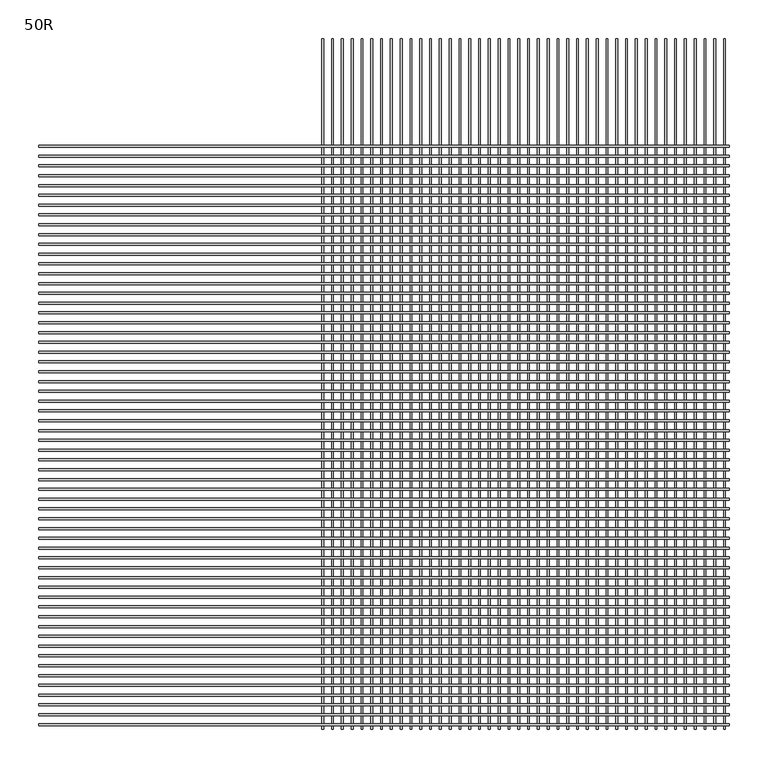
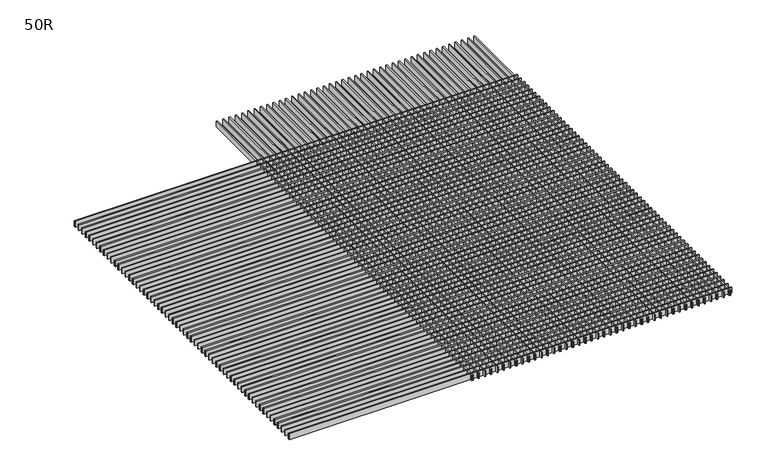
"""IFC4 building model written with IfcOpenShell, lengths in millimetres: air terminal geometry, 50R."""

from ifc_helpers import new_model, si_unit, frame, origin, place, context, project, spatial, polyline, outline, extrude, source, transform, mapped, element, save


def air_terminal_50r_aec33b26(model_context):
    return source(origin(), model_context, "Body", "SweptSolid", [
        extrude(outline(polyline([(-442.6213911, -7.14375), (-442.6213911, 4.7625), (-440.0286089, 4.7625), (-440.0286089, -7.14375), (-442.6213911, -7.14375)]), holes=[polyline([(-441.8276411, -6.35), (-440.8223589, -6.35), (-440.8223589, 3.96875), (-441.8276411, 3.96875), (-441.8276411, -6.35)])]), frame((-447.675, 0.0, 0.0), z_axis=(1.0, 0.0, 0.0), x_axis=(0.0, 1.0, 0.0)), (0.0, 0.0, 1.0), 895.35),
        extrude(outline(polyline([(-429.9213911, -7.14375), (-429.9213911, 4.7625), (-427.3286089, 4.7625), (-427.3286089, -7.14375), (-429.9213911, -7.14375)]), holes=[polyline([(-429.1276411, -6.35), (-428.1223589, -6.35), (-428.1223589, 3.96875), (-429.1276411, 3.96875), (-429.1276411, -6.35)])]), frame((-447.675, 0.0, 0.0), z_axis=(1.0, 0.0, 0.0), x_axis=(0.0, 1.0, 0.0)), (0.0, 0.0, 1.0), 895.35),
        extrude(outline(polyline([(-417.2213911, -7.14375), (-417.2213911, 4.7625), (-414.6286089, 4.7625), (-414.6286089, -7.14375), (-417.2213911, -7.14375)]), holes=[polyline([(-416.4276411, -6.35), (-415.4223589, -6.35), (-415.4223589, 3.96875), (-416.4276411, 3.96875), (-416.4276411, -6.35)])]), frame((-447.675, 0.0, 0.0), z_axis=(1.0, 0.0, 0.0), x_axis=(0.0, 1.0, 0.0)), (0.0, 0.0, 1.0), 895.35),
        extrude(outline(polyline([(-404.5213911, -7.14375), (-404.5213911, 4.7625), (-401.9286089, 4.7625), (-401.9286089, -7.14375), (-404.5213911, -7.14375)]), holes=[polyline([(-403.7276411, -6.35), (-402.7223589, -6.35), (-402.7223589, 3.96875), (-403.7276411, 3.96875), (-403.7276411, -6.35)])]), frame((-447.675, 0.0, 0.0), z_axis=(1.0, 0.0, 0.0), x_axis=(0.0, 1.0, 0.0)), (0.0, 0.0, 1.0), 895.35),
        extrude(outline(polyline([(-391.8213911, -7.14375), (-391.8213911, 4.7625), (-389.2286089, 4.7625), (-389.2286089, -7.14375), (-391.8213911, -7.14375)]), holes=[polyline([(-391.0276411, -6.35), (-390.0223589, -6.35), (-390.0223589, 3.96875), (-391.0276411, 3.96875), (-391.0276411, -6.35)])]), frame((-447.675, 0.0, 0.0), z_axis=(1.0, 0.0, 0.0), x_axis=(0.0, 1.0, 0.0)), (0.0, 0.0, 1.0), 895.35),
        extrude(outline(polyline([(-379.1213911, -7.14375), (-379.1213911, 4.7625), (-376.5286089, 4.7625), (-376.5286089, -7.14375), (-379.1213911, -7.14375)]), holes=[polyline([(-378.3276411, -6.35), (-377.3223589, -6.35), (-377.3223589, 3.96875), (-378.3276411, 3.96875), (-378.3276411, -6.35)])]), frame((-447.675, 0.0, 0.0), z_axis=(1.0, 0.0, 0.0), x_axis=(0.0, 1.0, 0.0)), (0.0, 0.0, 1.0), 895.35),
        extrude(outline(polyline([(-366.4213911, -7.14375), (-366.4213911, 4.7625), (-363.8286089, 4.7625), (-363.8286089, -7.14375), (-366.4213911, -7.14375)]), holes=[polyline([(-365.6276411, -6.35), (-364.6223589, -6.35), (-364.6223589, 3.96875), (-365.6276411, 3.96875), (-365.6276411, -6.35)])]), frame((-447.675, 0.0, 0.0), z_axis=(1.0, 0.0, 0.0), x_axis=(0.0, 1.0, 0.0)), (0.0, 0.0, 1.0), 895.35),
        extrude(outline(polyline([(-353.7213911, -7.14375), (-353.7213911, 4.7625), (-351.1286089, 4.7625), (-351.1286089, -7.14375), (-353.7213911, -7.14375)]), holes=[polyline([(-352.9276411, -6.35), (-351.9223589, -6.35), (-351.9223589, 3.96875), (-352.9276411, 3.96875), (-352.9276411, -6.35)])]), frame((-447.675, 0.0, 0.0), z_axis=(1.0, 0.0, 0.0), x_axis=(0.0, 1.0, 0.0)), (0.0, 0.0, 1.0), 895.35),
        extrude(outline(polyline([(-341.0213911, -7.14375), (-341.0213911, 4.7625), (-338.4286089, 4.7625), (-338.4286089, -7.14375), (-341.0213911, -7.14375)]), holes=[polyline([(-340.2276411, -6.35), (-339.2223589, -6.35), (-339.2223589, 3.96875), (-340.2276411, 3.96875), (-340.2276411, -6.35)])]), frame((-447.675, 0.0, 0.0), z_axis=(1.0, 0.0, 0.0), x_axis=(0.0, 1.0, 0.0)), (0.0, 0.0, 1.0), 895.35),
        extrude(outline(polyline([(-328.3213911, -7.14375), (-328.3213911, 4.7625), (-325.7286089, 4.7625), (-325.7286089, -7.14375), (-328.3213911, -7.14375)]), holes=[polyline([(-327.5276411, -6.35), (-326.5223589, -6.35), (-326.5223589, 3.96875), (-327.5276411, 3.96875), (-327.5276411, -6.35)])]), frame((-447.675, 0.0, 0.0), z_axis=(1.0, 0.0, 0.0), x_axis=(0.0, 1.0, 0.0)), (0.0, 0.0, 1.0), 895.35),
        extrude(outline(polyline([(-315.6213911, -7.14375), (-315.6213911, 4.7625), (-313.0286089, 4.7625), (-313.0286089, -7.14375), (-315.6213911, -7.14375)]), holes=[polyline([(-314.8276411, -6.35), (-313.8223589, -6.35), (-313.8223589, 3.96875), (-314.8276411, 3.96875), (-314.8276411, -6.35)])]), frame((-447.675, 0.0, 0.0), z_axis=(1.0, 0.0, 0.0), x_axis=(0.0, 1.0, 0.0)), (0.0, 0.0, 1.0), 895.35),
        extrude(outline(polyline([(-302.9213911, -7.14375), (-302.9213911, 4.7625), (-300.3286089, 4.7625), (-300.3286089, -7.14375), (-302.9213911, -7.14375)]), holes=[polyline([(-302.1276411, -6.35), (-301.1223589, -6.35), (-301.1223589, 3.96875), (-302.1276411, 3.96875), (-302.1276411, -6.35)])]), frame((-447.675, 0.0, 0.0), z_axis=(1.0, 0.0, 0.0), x_axis=(0.0, 1.0, 0.0)), (0.0, 0.0, 1.0), 895.35),
        extrude(outline(polyline([(-290.2213911, -7.14375), (-290.2213911, 4.7625), (-287.6286089, 4.7625), (-287.6286089, -7.14375), (-290.2213911, -7.14375)]), holes=[polyline([(-289.4276411, -6.35), (-288.4223589, -6.35), (-288.4223589, 3.96875), (-289.4276411, 3.96875), (-289.4276411, -6.35)])]), frame((-447.675, 0.0, 0.0), z_axis=(1.0, 0.0, 0.0), x_axis=(0.0, 1.0, 0.0)), (0.0, 0.0, 1.0), 895.35),
        extrude(outline(polyline([(-277.5213911, -7.14375), (-277.5213911, 4.7625), (-274.9286089, 4.7625), (-274.9286089, -7.14375), (-277.5213911, -7.14375)]), holes=[polyline([(-276.7276411, -6.35), (-275.7223589, -6.35), (-275.7223589, 3.96875), (-276.7276411, 3.96875), (-276.7276411, -6.35)])]), frame((-447.675, 0.0, 0.0), z_axis=(1.0, 0.0, 0.0), x_axis=(0.0, 1.0, 0.0)), (0.0, 0.0, 1.0), 895.35),
        extrude(outline(polyline([(-264.8213911, -7.14375), (-264.8213911, 4.7625), (-262.2286089, 4.7625), (-262.2286089, -7.14375), (-264.8213911, -7.14375)]), holes=[polyline([(-264.0276411, -6.35), (-263.0223589, -6.35), (-263.0223589, 3.96875), (-264.0276411, 3.96875), (-264.0276411, -6.35)])]), frame((-447.675, 0.0, 0.0), z_axis=(1.0, 0.0, 0.0), x_axis=(0.0, 1.0, 0.0)), (0.0, 0.0, 1.0), 895.35),
        extrude(outline(polyline([(-252.1213911, -7.14375), (-252.1213911, 4.7625), (-249.5286089, 4.7625), (-249.5286089, -7.14375), (-252.1213911, -7.14375)]), holes=[polyline([(-251.3276411, -6.35), (-250.3223589, -6.35), (-250.3223589, 3.96875), (-251.3276411, 3.96875), (-251.3276411, -6.35)])]), frame((-447.675, 0.0, 0.0), z_axis=(1.0, 0.0, 0.0), x_axis=(0.0, 1.0, 0.0)), (0.0, 0.0, 1.0), 895.35),
        extrude(outline(polyline([(-239.4213911, -7.14375), (-239.4213911, 4.7625), (-236.8286089, 4.7625), (-236.8286089, -7.14375), (-239.4213911, -7.14375)]), holes=[polyline([(-238.6276411, -6.35), (-237.6223589, -6.35), (-237.6223589, 3.96875), (-238.6276411, 3.96875), (-238.6276411, -6.35)])]), frame((-447.675, 0.0, 0.0), z_axis=(1.0, 0.0, 0.0), x_axis=(0.0, 1.0, 0.0)), (0.0, 0.0, 1.0), 895.35),
        extrude(outline(polyline([(-226.7213911, -7.14375), (-226.7213911, 4.7625), (-224.1286089, 4.7625), (-224.1286089, -7.14375), (-226.7213911, -7.14375)]), holes=[polyline([(-225.9276411, -6.35), (-224.9223589, -6.35), (-224.9223589, 3.96875), (-225.9276411, 3.96875), (-225.9276411, -6.35)])]), frame((-447.675, 0.0, 0.0), z_axis=(1.0, 0.0, 0.0), x_axis=(0.0, 1.0, 0.0)), (0.0, 0.0, 1.0), 895.35),
        extrude(outline(polyline([(-214.0213911, -7.14375), (-214.0213911, 4.7625), (-211.4286089, 4.7625), (-211.4286089, -7.14375), (-214.0213911, -7.14375)]), holes=[polyline([(-213.2276411, -6.35), (-212.2223589, -6.35), (-212.2223589, 3.96875), (-213.2276411, 3.96875), (-213.2276411, -6.35)])]), frame((-447.675, 0.0, 0.0), z_axis=(1.0, 0.0, 0.0), x_axis=(0.0, 1.0, 0.0)), (0.0, 0.0, 1.0), 895.35),
        extrude(outline(polyline([(-201.3213911, -7.14375), (-201.3213911, 4.7625), (-198.7286089, 4.7625), (-198.7286089, -7.14375), (-201.3213911, -7.14375)]), holes=[polyline([(-200.5276411, -6.35), (-199.5223589, -6.35), (-199.5223589, 3.96875), (-200.5276411, 3.96875), (-200.5276411, -6.35)])]), frame((-447.675, 0.0, 0.0), z_axis=(1.0, 0.0, 0.0), x_axis=(0.0, 1.0, 0.0)), (0.0, 0.0, 1.0), 895.35),
        extrude(outline(polyline([(-188.6213911, -7.14375), (-188.6213911, 4.7625), (-186.0286089, 4.7625), (-186.0286089, -7.14375), (-188.6213911, -7.14375)]), holes=[polyline([(-187.8276411, -6.35), (-186.8223589, -6.35), (-186.8223589, 3.96875), (-187.8276411, 3.96875), (-187.8276411, -6.35)])]), frame((-447.675, 0.0, 0.0), z_axis=(1.0, 0.0, 0.0), x_axis=(0.0, 1.0, 0.0)), (0.0, 0.0, 1.0), 895.35),
        extrude(outline(polyline([(-175.9213911, -7.14375), (-175.9213911, 4.7625), (-173.3286089, 4.7625), (-173.3286089, -7.14375), (-175.9213911, -7.14375)]), holes=[polyline([(-175.1276411, -6.35), (-174.1223589, -6.35), (-174.1223589, 3.96875), (-175.1276411, 3.96875), (-175.1276411, -6.35)])]), frame((-447.675, 0.0, 0.0), z_axis=(1.0, 0.0, 0.0), x_axis=(0.0, 1.0, 0.0)), (0.0, 0.0, 1.0), 895.35),
        extrude(outline(polyline([(-163.2213911, -7.14375), (-163.2213911, 4.7625), (-160.6286089, 4.7625), (-160.6286089, -7.14375), (-163.2213911, -7.14375)]), holes=[polyline([(-162.4276411, -6.35), (-161.4223589, -6.35), (-161.4223589, 3.96875), (-162.4276411, 3.96875), (-162.4276411, -6.35)])]), frame((-447.675, 0.0, 0.0), z_axis=(1.0, 0.0, 0.0), x_axis=(0.0, 1.0, 0.0)), (0.0, 0.0, 1.0), 895.35),
        extrude(outline(polyline([(-150.5213911, -7.14375), (-150.5213911, 4.7625), (-147.9286089, 4.7625), (-147.9286089, -7.14375), (-150.5213911, -7.14375)]), holes=[polyline([(-149.7276411, -6.35), (-148.7223589, -6.35), (-148.7223589, 3.96875), (-149.7276411, 3.96875), (-149.7276411, -6.35)])]), frame((-447.675, 0.0, 0.0), z_axis=(1.0, 0.0, 0.0), x_axis=(0.0, 1.0, 0.0)), (0.0, 0.0, 1.0), 895.35),
        extrude(outline(polyline([(-137.8213911, -7.14375), (-137.8213911, 4.7625), (-135.2286089, 4.7625), (-135.2286089, -7.14375), (-137.8213911, -7.14375)]), holes=[polyline([(-137.0276411, -6.35), (-136.0223589, -6.35), (-136.0223589, 3.96875), (-137.0276411, 3.96875), (-137.0276411, -6.35)])]), frame((-447.675, 0.0, 0.0), z_axis=(1.0, 0.0, 0.0), x_axis=(0.0, 1.0, 0.0)), (0.0, 0.0, 1.0), 895.35),
        extrude(outline(polyline([(-125.1213911, -7.14375), (-125.1213911, 4.7625), (-122.5286089, 4.7625), (-122.5286089, -7.14375), (-125.1213911, -7.14375)]), holes=[polyline([(-124.3276411, -6.35), (-123.3223589, -6.35), (-123.3223589, 3.96875), (-124.3276411, 3.96875), (-124.3276411, -6.35)])]), frame((-447.675, 0.0, 0.0), z_axis=(1.0, 0.0, 0.0), x_axis=(0.0, 1.0, 0.0)), (0.0, 0.0, 1.0), 895.35),
        extrude(outline(polyline([(-112.4213911, -7.14375), (-112.4213911, 4.7625), (-109.8286089, 4.7625), (-109.8286089, -7.14375), (-112.4213911, -7.14375)]), holes=[polyline([(-111.6276411, -6.35), (-110.6223589, -6.35), (-110.6223589, 3.96875), (-111.6276411, 3.96875), (-111.6276411, -6.35)])]), frame((-447.675, 0.0, 0.0), z_axis=(1.0, 0.0, 0.0), x_axis=(0.0, 1.0, 0.0)), (0.0, 0.0, 1.0), 895.35),
        extrude(outline(polyline([(-99.7213911, -7.14375), (-99.7213911, 4.7625), (-97.1286089, 4.7625), (-97.1286089, -7.14375), (-99.7213911, -7.14375)]), holes=[polyline([(-98.9276411, -6.35), (-97.9223589, -6.35), (-97.9223589, 3.96875), (-98.9276411, 3.96875), (-98.9276411, -6.35)])]), frame((-447.675, 0.0, 0.0), z_axis=(1.0, 0.0, 0.0), x_axis=(0.0, 1.0, 0.0)), (0.0, 0.0, 1.0), 895.35),
        extrude(outline(polyline([(-87.0213911, -7.14375), (-87.0213911, 4.7625), (-84.4286089, 4.7625), (-84.4286089, -7.14375), (-87.0213911, -7.14375)]), holes=[polyline([(-86.2276411, -6.35), (-85.2223589, -6.35), (-85.2223589, 3.96875), (-86.2276411, 3.96875), (-86.2276411, -6.35)])]), frame((-447.675, 0.0, 0.0), z_axis=(1.0, 0.0, 0.0), x_axis=(0.0, 1.0, 0.0)), (0.0, 0.0, 1.0), 895.35),
        extrude(outline(polyline([(-74.3213911, -7.14375), (-74.3213911, 4.7625), (-71.7286089, 4.7625), (-71.7286089, -7.14375), (-74.3213911, -7.14375)]), holes=[polyline([(-73.5276411, -6.35), (-72.5223589, -6.35), (-72.5223589, 3.96875), (-73.5276411, 3.96875), (-73.5276411, -6.35)])]), frame((-447.675, 0.0, 0.0), z_axis=(1.0, 0.0, 0.0), x_axis=(0.0, 1.0, 0.0)), (0.0, 0.0, 1.0), 895.35),
        extrude(outline(polyline([(-61.6213911, -7.14375), (-61.6213911, 4.7625), (-59.0286089, 4.7625), (-59.0286089, -7.14375), (-61.6213911, -7.14375)]), holes=[polyline([(-60.8276411, -6.35), (-59.8223589, -6.35), (-59.8223589, 3.96875), (-60.8276411, 3.96875), (-60.8276411, -6.35)])]), frame((-447.675, 0.0, 0.0), z_axis=(1.0, 0.0, 0.0), x_axis=(0.0, 1.0, 0.0)), (0.0, 0.0, 1.0), 895.35),
        extrude(outline(polyline([(-48.9213911, -7.14375), (-48.9213911, 4.7625), (-46.3286089, 4.7625), (-46.3286089, -7.14375), (-48.9213911, -7.14375)]), holes=[polyline([(-48.1276411, -6.35), (-47.1223589, -6.35), (-47.1223589, 3.96875), (-48.1276411, 3.96875), (-48.1276411, -6.35)])]), frame((-447.675, 0.0, 0.0), z_axis=(1.0, 0.0, 0.0), x_axis=(0.0, 1.0, 0.0)), (0.0, 0.0, 1.0), 895.35),
        extrude(outline(polyline([(-36.2213911, -7.14375), (-36.2213911, 4.7625), (-33.6286089, 4.7625), (-33.6286089, -7.14375), (-36.2213911, -7.14375)]), holes=[polyline([(-35.4276411, -6.35), (-34.4223589, -6.35), (-34.4223589, 3.96875), (-35.4276411, 3.96875), (-35.4276411, -6.35)])]), frame((-447.675, 0.0, 0.0), z_axis=(1.0, 0.0, 0.0), x_axis=(0.0, 1.0, 0.0)), (0.0, 0.0, 1.0), 895.35),
        extrude(outline(polyline([(-23.5213911, -7.14375), (-23.5213911, 4.7625), (-20.9286089, 4.7625), (-20.9286089, -7.14375), (-23.5213911, -7.14375)]), holes=[polyline([(-22.7276411, -6.35), (-21.7223589, -6.35), (-21.7223589, 3.96875), (-22.7276411, 3.96875), (-22.7276411, -6.35)])]), frame((-447.675, 0.0, 0.0), z_axis=(1.0, 0.0, 0.0), x_axis=(0.0, 1.0, 0.0)), (0.0, 0.0, 1.0), 895.35),
        extrude(outline(polyline([(-10.8213911, -7.14375), (-10.8213911, 4.7625), (-8.2286089, 4.7625), (-8.2286089, -7.14375), (-10.8213911, -7.14375)]), holes=[polyline([(-10.0276411, -6.35), (-9.0223589, -6.35), (-9.0223589, 3.96875), (-10.0276411, 3.96875), (-10.0276411, -6.35)])]), frame((-447.675, 0.0, 0.0), z_axis=(1.0, 0.0, 0.0), x_axis=(0.0, 1.0, 0.0)), (0.0, 0.0, 1.0), 895.35),
        extrude(outline(polyline([(1.8786089, -7.14375), (1.8786089, 4.7625), (4.4713911, 4.7625), (4.4713911, -7.14375), (1.8786089, -7.14375)]), holes=[polyline([(2.6723589, -6.35), (3.6776411, -6.35), (3.6776411, 3.96875), (2.6723589, 3.96875), (2.6723589, -6.35)])]), frame((-447.675, 0.0, 0.0), z_axis=(1.0, 0.0, 0.0), x_axis=(0.0, 1.0, 0.0)), (0.0, 0.0, 1.0), 895.35),
        extrude(outline(polyline([(14.5786089, -7.14375), (14.5786089, 4.7625), (17.1713911, 4.7625), (17.1713911, -7.14375), (14.5786089, -7.14375)]), holes=[polyline([(15.3723589, -6.35), (16.3776411, -6.35), (16.3776411, 3.96875), (15.3723589, 3.96875), (15.3723589, -6.35)])]), frame((-447.675, 0.0, 0.0), z_axis=(1.0, 0.0, 0.0), x_axis=(0.0, 1.0, 0.0)), (0.0, 0.0, 1.0), 895.35),
        extrude(outline(polyline([(27.2786089, -7.14375), (27.2786089, 4.7625), (29.8713911, 4.7625), (29.8713911, -7.14375), (27.2786089, -7.14375)]), holes=[polyline([(28.0723589, -6.35), (29.0776411, -6.35), (29.0776411, 3.96875), (28.0723589, 3.96875), (28.0723589, -6.35)])]), frame((-447.675, 0.0, 0.0), z_axis=(1.0, 0.0, 0.0), x_axis=(0.0, 1.0, 0.0)), (0.0, 0.0, 1.0), 895.35),
        extrude(outline(polyline([(39.9786089, -7.14375), (39.9786089, 4.7625), (42.5713911, 4.7625), (42.5713911, -7.14375), (39.9786089, -7.14375)]), holes=[polyline([(40.7723589, -6.35), (41.7776411, -6.35), (41.7776411, 3.96875), (40.7723589, 3.96875), (40.7723589, -6.35)])]), frame((-447.675, 0.0, 0.0), z_axis=(1.0, 0.0, 0.0), x_axis=(0.0, 1.0, 0.0)), (0.0, 0.0, 1.0), 895.35),
        extrude(outline(polyline([(52.6786089, -7.14375), (52.6786089, 4.7625), (55.2713911, 4.7625), (55.2713911, -7.14375), (52.6786089, -7.14375)]), holes=[polyline([(53.4723589, -6.35), (54.4776411, -6.35), (54.4776411, 3.96875), (53.4723589, 3.96875), (53.4723589, -6.35)])]), frame((-447.675, 0.0, 0.0), z_axis=(1.0, 0.0, 0.0), x_axis=(0.0, 1.0, 0.0)), (0.0, 0.0, 1.0), 895.35),
        extrude(outline(polyline([(65.3786089, -7.14375), (65.3786089, 4.7625), (67.9713911, 4.7625), (67.9713911, -7.14375), (65.3786089, -7.14375)]), holes=[polyline([(66.1723589, -6.35), (67.1776411, -6.35), (67.1776411, 3.96875), (66.1723589, 3.96875), (66.1723589, -6.35)])]), frame((-447.675, 0.0, 0.0), z_axis=(1.0, 0.0, 0.0), x_axis=(0.0, 1.0, 0.0)), (0.0, 0.0, 1.0), 895.35),
        extrude(outline(polyline([(78.0786089, -7.14375), (78.0786089, 4.7625), (80.6713911, 4.7625), (80.6713911, -7.14375), (78.0786089, -7.14375)]), holes=[polyline([(78.8723589, -6.35), (79.8776411, -6.35), (79.8776411, 3.96875), (78.8723589, 3.96875), (78.8723589, -6.35)])]), frame((-447.675, 0.0, 0.0), z_axis=(1.0, 0.0, 0.0), x_axis=(0.0, 1.0, 0.0)), (0.0, 0.0, 1.0), 895.35),
        extrude(outline(polyline([(90.7786089, -7.14375), (90.7786089, 4.7625), (93.3713911, 4.7625), (93.3713911, -7.14375), (90.7786089, -7.14375)]), holes=[polyline([(91.5723589, -6.35), (92.5776411, -6.35), (92.5776411, 3.96875), (91.5723589, 3.96875), (91.5723589, -6.35)])]), frame((-447.675, 0.0, 0.0), z_axis=(1.0, 0.0, 0.0), x_axis=(0.0, 1.0, 0.0)), (0.0, 0.0, 1.0), 895.35),
        extrude(outline(polyline([(103.4786089, -7.14375), (103.4786089, 4.7625), (106.0713911, 4.7625), (106.0713911, -7.14375), (103.4786089, -7.14375)]), holes=[polyline([(104.2723589, -6.35), (105.2776411, -6.35), (105.2776411, 3.96875), (104.2723589, 3.96875), (104.2723589, -6.35)])]), frame((-447.675, 0.0, 0.0), z_axis=(1.0, 0.0, 0.0), x_axis=(0.0, 1.0, 0.0)), (0.0, 0.0, 1.0), 895.35),
        extrude(outline(polyline([(116.1786089, -7.14375), (116.1786089, 4.7625), (118.7713911, 4.7625), (118.7713911, -7.14375), (116.1786089, -7.14375)]), holes=[polyline([(116.9723589, -6.35), (117.9776411, -6.35), (117.9776411, 3.96875), (116.9723589, 3.96875), (116.9723589, -6.35)])]), frame((-447.675, 0.0, 0.0), z_axis=(1.0, 0.0, 0.0), x_axis=(0.0, 1.0, 0.0)), (0.0, 0.0, 1.0), 895.35),
        extrude(outline(polyline([(128.8786089, -7.14375), (128.8786089, 4.7625), (131.4713911, 4.7625), (131.4713911, -7.14375), (128.8786089, -7.14375)]), holes=[polyline([(129.6723589, -6.35), (130.6776411, -6.35), (130.6776411, 3.96875), (129.6723589, 3.96875), (129.6723589, -6.35)])]), frame((-447.675, 0.0, 0.0), z_axis=(1.0, 0.0, 0.0), x_axis=(0.0, 1.0, 0.0)), (0.0, 0.0, 1.0), 895.35),
        extrude(outline(polyline([(141.5786089, -7.14375), (141.5786089, 4.7625), (144.1713911, 4.7625), (144.1713911, -7.14375), (141.5786089, -7.14375)]), holes=[polyline([(142.3723589, -6.35), (143.3776411, -6.35), (143.3776411, 3.96875), (142.3723589, 3.96875), (142.3723589, -6.35)])]), frame((-447.675, 0.0, 0.0), z_axis=(1.0, 0.0, 0.0), x_axis=(0.0, 1.0, 0.0)), (0.0, 0.0, 1.0), 895.35),
        extrude(outline(polyline([(154.2786089, -7.14375), (154.2786089, 4.7625), (156.8713911, 4.7625), (156.8713911, -7.14375), (154.2786089, -7.14375)]), holes=[polyline([(155.0723589, -6.35), (156.0776411, -6.35), (156.0776411, 3.96875), (155.0723589, 3.96875), (155.0723589, -6.35)])]), frame((-447.675, 0.0, 0.0), z_axis=(1.0, 0.0, 0.0), x_axis=(0.0, 1.0, 0.0)), (0.0, 0.0, 1.0), 895.35),
        extrude(outline(polyline([(166.9786089, -7.14375), (166.9786089, 4.7625), (169.5713911, 4.7625), (169.5713911, -7.14375), (166.9786089, -7.14375)]), holes=[polyline([(167.7723589, -6.35), (168.7776411, -6.35), (168.7776411, 3.96875), (167.7723589, 3.96875), (167.7723589, -6.35)])]), frame((-447.675, 0.0, 0.0), z_axis=(1.0, 0.0, 0.0), x_axis=(0.0, 1.0, 0.0)), (0.0, 0.0, 1.0), 895.35),
        extrude(outline(polyline([(179.6786089, -7.14375), (179.6786089, 4.7625), (182.2713911, 4.7625), (182.2713911, -7.14375), (179.6786089, -7.14375)]), holes=[polyline([(180.4723589, -6.35), (181.4776411, -6.35), (181.4776411, 3.96875), (180.4723589, 3.96875), (180.4723589, -6.35)])]), frame((-447.675, 0.0, 0.0), z_axis=(1.0, 0.0, 0.0), x_axis=(0.0, 1.0, 0.0)), (0.0, 0.0, 1.0), 895.35),
        extrude(outline(polyline([(192.3786089, -7.14375), (192.3786089, 4.7625), (194.9713911, 4.7625), (194.9713911, -7.14375), (192.3786089, -7.14375)]), holes=[polyline([(193.1723589, -6.35), (194.1776411, -6.35), (194.1776411, 3.96875), (193.1723589, 3.96875), (193.1723589, -6.35)])]), frame((-447.675, 0.0, 0.0), z_axis=(1.0, 0.0, 0.0), x_axis=(0.0, 1.0, 0.0)), (0.0, 0.0, 1.0), 895.35),
        extrude(outline(polyline([(205.0786089, -7.14375), (205.0786089, 4.7625), (207.6713911, 4.7625), (207.6713911, -7.14375), (205.0786089, -7.14375)]), holes=[polyline([(205.8723589, -6.35), (206.8776411, -6.35), (206.8776411, 3.96875), (205.8723589, 3.96875), (205.8723589, -6.35)])]), frame((-447.675, 0.0, 0.0), z_axis=(1.0, 0.0, 0.0), x_axis=(0.0, 1.0, 0.0)), (0.0, 0.0, 1.0), 895.35),
        extrude(outline(polyline([(217.7786089, -7.14375), (217.7786089, 4.7625), (220.3713911, 4.7625), (220.3713911, -7.14375), (217.7786089, -7.14375)]), holes=[polyline([(218.5723589, -6.35), (219.5776411, -6.35), (219.5776411, 3.96875), (218.5723589, 3.96875), (218.5723589, -6.35)])]), frame((-447.675, 0.0, 0.0), z_axis=(1.0, 0.0, 0.0), x_axis=(0.0, 1.0, 0.0)), (0.0, 0.0, 1.0), 895.35),
        extrude(outline(polyline([(230.4786089, -7.14375), (230.4786089, 4.7625), (233.0713911, 4.7625), (233.0713911, -7.14375), (230.4786089, -7.14375)]), holes=[polyline([(231.2723589, -6.35), (232.2776411, -6.35), (232.2776411, 3.96875), (231.2723589, 3.96875), (231.2723589, -6.35)])]), frame((-447.675, 0.0, 0.0), z_axis=(1.0, 0.0, 0.0), x_axis=(0.0, 1.0, 0.0)), (0.0, 0.0, 1.0), 895.35),
        extrude(outline(polyline([(243.1786089, -7.14375), (243.1786089, 4.7625), (245.7713911, 4.7625), (245.7713911, -7.14375), (243.1786089, -7.14375)]), holes=[polyline([(243.9723589, -6.35), (244.9776411, -6.35), (244.9776411, 3.96875), (243.9723589, 3.96875), (243.9723589, -6.35)])]), frame((-447.675, 0.0, 0.0), z_axis=(1.0, 0.0, 0.0), x_axis=(0.0, 1.0, 0.0)), (0.0, 0.0, 1.0), 895.35),
        extrude(outline(polyline([(255.8786089, -7.14375), (255.8786089, 4.7625), (258.4713911, 4.7625), (258.4713911, -7.14375), (255.8786089, -7.14375)]), holes=[polyline([(256.6723589, -6.35), (257.6776411, -6.35), (257.6776411, 3.96875), (256.6723589, 3.96875), (256.6723589, -6.35)])]), frame((-447.675, 0.0, 0.0), z_axis=(1.0, 0.0, 0.0), x_axis=(0.0, 1.0, 0.0)), (0.0, 0.0, 1.0), 895.35),
        extrude(outline(polyline([(268.5786089, -7.14375), (268.5786089, 4.7625), (271.1713911, 4.7625), (271.1713911, -7.14375), (268.5786089, -7.14375)]), holes=[polyline([(269.3723589, -6.35), (270.3776411, -6.35), (270.3776411, 3.96875), (269.3723589, 3.96875), (269.3723589, -6.35)])]), frame((-447.675, 0.0, 0.0), z_axis=(1.0, 0.0, 0.0), x_axis=(0.0, 1.0, 0.0)), (0.0, 0.0, 1.0), 895.35),
        extrude(outline(polyline([(281.2786089, -7.14375), (281.2786089, 4.7625), (283.8713911, 4.7625), (283.8713911, -7.14375), (281.2786089, -7.14375)]), holes=[polyline([(282.0723589, -6.35), (283.0776411, -6.35), (283.0776411, 3.96875), (282.0723589, 3.96875), (282.0723589, -6.35)])]), frame((-447.675, 0.0, 0.0), z_axis=(1.0, 0.0, 0.0), x_axis=(0.0, 1.0, 0.0)), (0.0, 0.0, 1.0), 895.35),
        extrude(outline(polyline([(293.9786089, -7.14375), (293.9786089, 4.7625), (296.5713911, 4.7625), (296.5713911, -7.14375), (293.9786089, -7.14375)]), holes=[polyline([(294.7723589, -6.35), (295.7776411, -6.35), (295.7776411, 3.96875), (294.7723589, 3.96875), (294.7723589, -6.35)])]), frame((-447.675, 0.0, 0.0), z_axis=(1.0, 0.0, 0.0), x_axis=(0.0, 1.0, 0.0)), (0.0, 0.0, 1.0), 895.35),
        extrude(outline(polyline([(306.6786089, -7.14375), (306.6786089, 4.7625), (309.2713911, 4.7625), (309.2713911, -7.14375), (306.6786089, -7.14375)]), holes=[polyline([(307.4723589, -6.35), (308.4776411, -6.35), (308.4776411, 3.96875), (307.4723589, 3.96875), (307.4723589, -6.35)])]), frame((-447.675, 0.0, 0.0), z_axis=(1.0, 0.0, 0.0), x_axis=(0.0, 1.0, 0.0)), (0.0, 0.0, 1.0), 895.35),
        extrude(outline(polyline([(-7.14375, 442.4779208), (4.7625, 442.4779208), (4.7625, 440.1720792), (-7.14375, 440.1720792), (-7.14375, 442.4779208)]), holes=[polyline([(-6.3734613, 441.8826083), (-6.3734613, 440.7673917), (3.96875, 440.7673917), (3.96875, 441.8826083), (-6.3734613, 441.8826083)])]), frame((0.0, -447.675, 0.0), z_axis=(0.0, 1.0, 0.0), x_axis=(0.0, 0.0, 1.0)), (0.0, 0.0, 1.0), 895.35),
        extrude(outline(polyline([(-7.14375, 429.7779208), (4.7625, 429.7779208), (4.7625, 427.4720792), (-7.14375, 427.4720792), (-7.14375, 429.7779208)]), holes=[polyline([(-6.3734613, 429.1826083), (-6.3734613, 428.0673917), (3.96875, 428.0673917), (3.96875, 429.1826083), (-6.3734613, 429.1826083)])]), frame((0.0, -447.675, 0.0), z_axis=(0.0, 1.0, 0.0), x_axis=(0.0, 0.0, 1.0)), (0.0, 0.0, 1.0), 895.35),
        extrude(outline(polyline([(-7.14375, 417.0779208), (4.7625, 417.0779208), (4.7625, 414.7720792), (-7.14375, 414.7720792), (-7.14375, 417.0779208)]), holes=[polyline([(-6.3734613, 416.4826083), (-6.3734613, 415.3673917), (3.96875, 415.3673917), (3.96875, 416.4826083), (-6.3734613, 416.4826083)])]), frame((0.0, -447.675, 0.0), z_axis=(0.0, 1.0, 0.0), x_axis=(0.0, 0.0, 1.0)), (0.0, 0.0, 1.0), 895.35),
        extrude(outline(polyline([(-7.14375, 404.3779208), (4.7625, 404.3779208), (4.7625, 402.0720792), (-7.14375, 402.0720792), (-7.14375, 404.3779208)]), holes=[polyline([(-6.3734613, 403.7826083), (-6.3734613, 402.6673917), (3.96875, 402.6673917), (3.96875, 403.7826083), (-6.3734613, 403.7826083)])]), frame((0.0, -447.675, 0.0), z_axis=(0.0, 1.0, 0.0), x_axis=(0.0, 0.0, 1.0)), (0.0, 0.0, 1.0), 895.35),
        extrude(outline(polyline([(-7.14375, 391.6779208), (4.7625, 391.6779208), (4.7625, 389.3720792), (-7.14375, 389.3720792), (-7.14375, 391.6779208)]), holes=[polyline([(-6.3734613, 391.0826083), (-6.3734613, 389.9673917), (3.96875, 389.9673917), (3.96875, 391.0826083), (-6.3734613, 391.0826083)])]), frame((0.0, -447.675, 0.0), z_axis=(0.0, 1.0, 0.0), x_axis=(0.0, 0.0, 1.0)), (0.0, 0.0, 1.0), 895.35),
        extrude(outline(polyline([(-7.14375, 378.9779208), (4.7625, 378.9779208), (4.7625, 376.6720792), (-7.14375, 376.6720792), (-7.14375, 378.9779208)]), holes=[polyline([(-6.3734613, 378.3826083), (-6.3734613, 377.2673917), (3.96875, 377.2673917), (3.96875, 378.3826083), (-6.3734613, 378.3826083)])]), frame((0.0, -447.675, 0.0), z_axis=(0.0, 1.0, 0.0), x_axis=(0.0, 0.0, 1.0)), (0.0, 0.0, 1.0), 895.35),
        extrude(outline(polyline([(-7.14375, 366.2779208), (4.7625, 366.2779208), (4.7625, 363.9720792), (-7.14375, 363.9720792), (-7.14375, 366.2779208)]), holes=[polyline([(-6.3734613, 365.6826083), (-6.3734613, 364.5673917), (3.96875, 364.5673917), (3.96875, 365.6826083), (-6.3734613, 365.6826083)])]), frame((0.0, -447.675, 0.0), z_axis=(0.0, 1.0, 0.0), x_axis=(0.0, 0.0, 1.0)), (0.0, 0.0, 1.0), 895.35),
        extrude(outline(polyline([(-7.14375, 353.5779208), (4.7625, 353.5779208), (4.7625, 351.2720792), (-7.14375, 351.2720792), (-7.14375, 353.5779208)]), holes=[polyline([(-6.3734613, 352.9826083), (-6.3734613, 351.8673917), (3.96875, 351.8673917), (3.96875, 352.9826083), (-6.3734613, 352.9826083)])]), frame((0.0, -447.675, 0.0), z_axis=(0.0, 1.0, 0.0), x_axis=(0.0, 0.0, 1.0)), (0.0, 0.0, 1.0), 895.35),
        extrude(outline(polyline([(-7.14375, 340.8779208), (4.7625, 340.8779208), (4.7625, 338.5720792), (-7.14375, 338.5720792), (-7.14375, 340.8779208)]), holes=[polyline([(-6.3734613, 340.2826083), (-6.3734613, 339.1673917), (3.96875, 339.1673917), (3.96875, 340.2826083), (-6.3734613, 340.2826083)])]), frame((0.0, -447.675, 0.0), z_axis=(0.0, 1.0, 0.0), x_axis=(0.0, 0.0, 1.0)), (0.0, 0.0, 1.0), 895.35),
        extrude(outline(polyline([(-7.14375, 328.1779208), (4.7625, 328.1779208), (4.7625, 325.8720792), (-7.14375, 325.8720792), (-7.14375, 328.1779208)]), holes=[polyline([(-6.3734613, 327.5826083), (-6.3734613, 326.4673917), (3.96875, 326.4673917), (3.96875, 327.5826083), (-6.3734613, 327.5826083)])]), frame((0.0, -447.675, 0.0), z_axis=(0.0, 1.0, 0.0), x_axis=(0.0, 0.0, 1.0)), (0.0, 0.0, 1.0), 895.35),
        extrude(outline(polyline([(-7.14375, 315.4779208), (4.7625, 315.4779208), (4.7625, 313.1720792), (-7.14375, 313.1720792), (-7.14375, 315.4779208)]), holes=[polyline([(-6.3734613, 314.8826083), (-6.3734613, 313.7673917), (3.96875, 313.7673917), (3.96875, 314.8826083), (-6.3734613, 314.8826083)])]), frame((0.0, -447.675, 0.0), z_axis=(0.0, 1.0, 0.0), x_axis=(0.0, 0.0, 1.0)), (0.0, 0.0, 1.0), 895.35),
        extrude(outline(polyline([(-7.14375, 302.7779208), (4.7625, 302.7779208), (4.7625, 300.4720792), (-7.14375, 300.4720792), (-7.14375, 302.7779208)]), holes=[polyline([(-6.3734613, 302.1826083), (-6.3734613, 301.0673917), (3.96875, 301.0673917), (3.96875, 302.1826083), (-6.3734613, 302.1826083)])]), frame((0.0, -447.675, 0.0), z_axis=(0.0, 1.0, 0.0), x_axis=(0.0, 0.0, 1.0)), (0.0, 0.0, 1.0), 895.35),
        extrude(outline(polyline([(-7.14375, 290.0779208), (4.7625, 290.0779208), (4.7625, 287.7720792), (-7.14375, 287.7720792), (-7.14375, 290.0779208)]), holes=[polyline([(-6.3734613, 289.4826083), (-6.3734613, 288.3673917), (3.96875, 288.3673917), (3.96875, 289.4826083), (-6.3734613, 289.4826083)])]), frame((0.0, -447.675, 0.0), z_axis=(0.0, 1.0, 0.0), x_axis=(0.0, 0.0, 1.0)), (0.0, 0.0, 1.0), 895.35),
        extrude(outline(polyline([(-7.14375, 277.3779208), (4.7625, 277.3779208), (4.7625, 275.0720792), (-7.14375, 275.0720792), (-7.14375, 277.3779208)]), holes=[polyline([(-6.3734613, 276.7826083), (-6.3734613, 275.6673917), (3.96875, 275.6673917), (3.96875, 276.7826083), (-6.3734613, 276.7826083)])]), frame((0.0, -447.675, 0.0), z_axis=(0.0, 1.0, 0.0), x_axis=(0.0, 0.0, 1.0)), (0.0, 0.0, 1.0), 895.35),
        extrude(outline(polyline([(-7.14375, 264.6779208), (4.7625, 264.6779208), (4.7625, 262.3720792), (-7.14375, 262.3720792), (-7.14375, 264.6779208)]), holes=[polyline([(-6.3734613, 264.0826083), (-6.3734613, 262.9673917), (3.96875, 262.9673917), (3.96875, 264.0826083), (-6.3734613, 264.0826083)])]), frame((0.0, -447.675, 0.0), z_axis=(0.0, 1.0, 0.0), x_axis=(0.0, 0.0, 1.0)), (0.0, 0.0, 1.0), 895.35),
        extrude(outline(polyline([(-7.14375, 251.9779208), (4.7625, 251.9779208), (4.7625, 249.6720792), (-7.14375, 249.6720792), (-7.14375, 251.9779208)]), holes=[polyline([(-6.3734613, 251.3826083), (-6.3734613, 250.2673917), (3.96875, 250.2673917), (3.96875, 251.3826083), (-6.3734613, 251.3826083)])]), frame((0.0, -447.675, 0.0), z_axis=(0.0, 1.0, 0.0), x_axis=(0.0, 0.0, 1.0)), (0.0, 0.0, 1.0), 895.35),
        extrude(outline(polyline([(-7.14375, 239.2779208), (4.7625, 239.2779208), (4.7625, 236.9720792), (-7.14375, 236.9720792), (-7.14375, 239.2779208)]), holes=[polyline([(-6.3734613, 238.6826083), (-6.3734613, 237.5673917), (3.96875, 237.5673917), (3.96875, 238.6826083), (-6.3734613, 238.6826083)])]), frame((0.0, -447.675, 0.0), z_axis=(0.0, 1.0, 0.0), x_axis=(0.0, 0.0, 1.0)), (0.0, 0.0, 1.0), 895.35),
        extrude(outline(polyline([(-7.14375, 226.5779208), (4.7625, 226.5779208), (4.7625, 224.2720792), (-7.14375, 224.2720792), (-7.14375, 226.5779208)]), holes=[polyline([(-6.3734613, 225.9826083), (-6.3734613, 224.8673917), (3.96875, 224.8673917), (3.96875, 225.9826083), (-6.3734613, 225.9826083)])]), frame((0.0, -447.675, 0.0), z_axis=(0.0, 1.0, 0.0), x_axis=(0.0, 0.0, 1.0)), (0.0, 0.0, 1.0), 895.35),
        extrude(outline(polyline([(-7.14375, 213.8779208), (4.7625, 213.8779208), (4.7625, 211.5720792), (-7.14375, 211.5720792), (-7.14375, 213.8779208)]), holes=[polyline([(-6.3734613, 213.2826083), (-6.3734613, 212.1673917), (3.96875, 212.1673917), (3.96875, 213.2826083), (-6.3734613, 213.2826083)])]), frame((0.0, -447.675, 0.0), z_axis=(0.0, 1.0, 0.0), x_axis=(0.0, 0.0, 1.0)), (0.0, 0.0, 1.0), 895.35),
        extrude(outline(polyline([(-7.14375, 201.1779208), (4.7625, 201.1779208), (4.7625, 198.8720792), (-7.14375, 198.8720792), (-7.14375, 201.1779208)]), holes=[polyline([(-6.3734613, 200.5826083), (-6.3734613, 199.4673917), (3.96875, 199.4673917), (3.96875, 200.5826083), (-6.3734613, 200.5826083)])]), frame((0.0, -447.675, 0.0), z_axis=(0.0, 1.0, 0.0), x_axis=(0.0, 0.0, 1.0)), (0.0, 0.0, 1.0), 895.35),
        extrude(outline(polyline([(-7.14375, 188.4779208), (4.7625, 188.4779208), (4.7625, 186.1720792), (-7.14375, 186.1720792), (-7.14375, 188.4779208)]), holes=[polyline([(-6.3734613, 187.8826083), (-6.3734613, 186.7673917), (3.96875, 186.7673917), (3.96875, 187.8826083), (-6.3734613, 187.8826083)])]), frame((0.0, -447.675, 0.0), z_axis=(0.0, 1.0, 0.0), x_axis=(0.0, 0.0, 1.0)), (0.0, 0.0, 1.0), 895.35),
        extrude(outline(polyline([(-7.14375, 175.7779208), (4.7625, 175.7779208), (4.7625, 173.4720792), (-7.14375, 173.4720792), (-7.14375, 175.7779208)]), holes=[polyline([(-6.3734613, 175.1826083), (-6.3734613, 174.0673917), (3.96875, 174.0673917), (3.96875, 175.1826083), (-6.3734613, 175.1826083)])]), frame((0.0, -447.675, 0.0), z_axis=(0.0, 1.0, 0.0), x_axis=(0.0, 0.0, 1.0)), (0.0, 0.0, 1.0), 895.35),
        extrude(outline(polyline([(-7.14375, 163.0779208), (4.7625, 163.0779208), (4.7625, 160.7720792), (-7.14375, 160.7720792), (-7.14375, 163.0779208)]), holes=[polyline([(-6.3734613, 162.4826083), (-6.3734613, 161.3673917), (3.96875, 161.3673917), (3.96875, 162.4826083), (-6.3734613, 162.4826083)])]), frame((0.0, -447.675, 0.0), z_axis=(0.0, 1.0, 0.0), x_axis=(0.0, 0.0, 1.0)), (0.0, 0.0, 1.0), 895.35),
        extrude(outline(polyline([(-7.14375, 150.3779208), (4.7625, 150.3779208), (4.7625, 148.0720792), (-7.14375, 148.0720792), (-7.14375, 150.3779208)]), holes=[polyline([(-6.3734613, 149.7826083), (-6.3734613, 148.6673917), (3.96875, 148.6673917), (3.96875, 149.7826083), (-6.3734613, 149.7826083)])]), frame((0.0, -447.675, 0.0), z_axis=(0.0, 1.0, 0.0), x_axis=(0.0, 0.0, 1.0)), (0.0, 0.0, 1.0), 895.35),
        extrude(outline(polyline([(-7.14375, 137.6779208), (4.7625, 137.6779208), (4.7625, 135.3720792), (-7.14375, 135.3720792), (-7.14375, 137.6779208)]), holes=[polyline([(-6.3734613, 137.0826083), (-6.3734613, 135.9673917), (3.96875, 135.9673917), (3.96875, 137.0826083), (-6.3734613, 137.0826083)])]), frame((0.0, -447.675, 0.0), z_axis=(0.0, 1.0, 0.0), x_axis=(0.0, 0.0, 1.0)), (0.0, 0.0, 1.0), 895.35),
        extrude(outline(polyline([(-7.14375, 124.9779208), (4.7625, 124.9779208), (4.7625, 122.6720792), (-7.14375, 122.6720792), (-7.14375, 124.9779208)]), holes=[polyline([(-6.3734613, 124.3826083), (-6.3734613, 123.2673917), (3.96875, 123.2673917), (3.96875, 124.3826083), (-6.3734613, 124.3826083)])]), frame((0.0, -447.675, 0.0), z_axis=(0.0, 1.0, 0.0), x_axis=(0.0, 0.0, 1.0)), (0.0, 0.0, 1.0), 895.35),
        extrude(outline(polyline([(-7.14375, 112.2779208), (4.7625, 112.2779208), (4.7625, 109.9720792), (-7.14375, 109.9720792), (-7.14375, 112.2779208)]), holes=[polyline([(-6.3734613, 111.6826083), (-6.3734613, 110.5673917), (3.96875, 110.5673917), (3.96875, 111.6826083), (-6.3734613, 111.6826083)])]), frame((0.0, -447.675, 0.0), z_axis=(0.0, 1.0, 0.0), x_axis=(0.0, 0.0, 1.0)), (0.0, 0.0, 1.0), 895.35),
        extrude(outline(polyline([(-7.14375, 99.5779208), (4.7625, 99.5779208), (4.7625, 97.2720792), (-7.14375, 97.2720792), (-7.14375, 99.5779208)]), holes=[polyline([(-6.3734613, 98.9826083), (-6.3734613, 97.8673917), (3.96875, 97.8673917), (3.96875, 98.9826083), (-6.3734613, 98.9826083)])]), frame((0.0, -447.675, 0.0), z_axis=(0.0, 1.0, 0.0), x_axis=(0.0, 0.0, 1.0)), (0.0, 0.0, 1.0), 895.35),
        extrude(outline(polyline([(-7.14375, 86.8779208), (4.7625, 86.8779208), (4.7625, 84.5720792), (-7.14375, 84.5720792), (-7.14375, 86.8779208)]), holes=[polyline([(-6.3734613, 86.2826083), (-6.3734613, 85.1673917), (3.96875, 85.1673917), (3.96875, 86.2826083), (-6.3734613, 86.2826083)])]), frame((0.0, -447.675, 0.0), z_axis=(0.0, 1.0, 0.0), x_axis=(0.0, 0.0, 1.0)), (0.0, 0.0, 1.0), 895.35),
        extrude(outline(polyline([(-7.14375, 74.1779208), (4.7625, 74.1779208), (4.7625, 71.8720792), (-7.14375, 71.8720792), (-7.14375, 74.1779208)]), holes=[polyline([(-6.3734613, 73.5826083), (-6.3734613, 72.4673917), (3.96875, 72.4673917), (3.96875, 73.5826083), (-6.3734613, 73.5826083)])]), frame((0.0, -447.675, 0.0), z_axis=(0.0, 1.0, 0.0), x_axis=(0.0, 0.0, 1.0)), (0.0, 0.0, 1.0), 895.35),
        extrude(outline(polyline([(-7.14375, 61.4779208), (4.7625, 61.4779208), (4.7625, 59.1720792), (-7.14375, 59.1720792), (-7.14375, 61.4779208)]), holes=[polyline([(-6.3734613, 60.8826083), (-6.3734613, 59.7673917), (3.96875, 59.7673917), (3.96875, 60.8826083), (-6.3734613, 60.8826083)])]), frame((0.0, -447.675, 0.0), z_axis=(0.0, 1.0, 0.0), x_axis=(0.0, 0.0, 1.0)), (0.0, 0.0, 1.0), 895.35),
        extrude(outline(polyline([(-7.14375, 48.7779208), (4.7625, 48.7779208), (4.7625, 46.4720792), (-7.14375, 46.4720792), (-7.14375, 48.7779208)]), holes=[polyline([(-6.3734613, 48.1826083), (-6.3734613, 47.0673917), (3.96875, 47.0673917), (3.96875, 48.1826083), (-6.3734613, 48.1826083)])]), frame((0.0, -447.675, 0.0), z_axis=(0.0, 1.0, 0.0), x_axis=(0.0, 0.0, 1.0)), (0.0, 0.0, 1.0), 895.35),
        extrude(outline(polyline([(-7.14375, 36.0779208), (4.7625, 36.0779208), (4.7625, 33.7720792), (-7.14375, 33.7720792), (-7.14375, 36.0779208)]), holes=[polyline([(-6.3734613, 35.4826083), (-6.3734613, 34.3673917), (3.96875, 34.3673917), (3.96875, 35.4826083), (-6.3734613, 35.4826083)])]), frame((0.0, -447.675, 0.0), z_axis=(0.0, 1.0, 0.0), x_axis=(0.0, 0.0, 1.0)), (0.0, 0.0, 1.0), 895.35),
        extrude(outline(polyline([(-7.14375, 23.3779208), (4.7625, 23.3779208), (4.7625, 21.0720792), (-7.14375, 21.0720792), (-7.14375, 23.3779208)]), holes=[polyline([(-6.3734613, 22.7826083), (-6.3734613, 21.6673917), (3.96875, 21.6673917), (3.96875, 22.7826083), (-6.3734613, 22.7826083)])]), frame((0.0, -447.675, 0.0), z_axis=(0.0, 1.0, 0.0), x_axis=(0.0, 0.0, 1.0)), (0.0, 0.0, 1.0), 895.35),
        extrude(outline(polyline([(-7.14375, 10.6779208), (4.7625, 10.6779208), (4.7625, 8.3720792), (-7.14375, 8.3720792), (-7.14375, 10.6779208)]), holes=[polyline([(-6.3734613, 10.0826083), (-6.3734613, 8.9673917), (3.96875, 8.9673917), (3.96875, 10.0826083), (-6.3734613, 10.0826083)])]), frame((0.0, -447.675, 0.0), z_axis=(0.0, 1.0, 0.0), x_axis=(0.0, 0.0, 1.0)), (0.0, 0.0, 1.0), 895.35),
        extrude(outline(polyline([(-7.14375, -2.0220792), (4.7625, -2.0220792), (4.7625, -4.3279208), (-7.14375, -4.3279208), (-7.14375, -2.0220792)]), holes=[polyline([(-6.3734613, -2.6173917), (-6.3734613, -3.7326083), (3.96875, -3.7326083), (3.96875, -2.6173917), (-6.3734613, -2.6173917)])]), frame((0.0, -447.675, 0.0), z_axis=(0.0, 1.0, 0.0), x_axis=(0.0, 0.0, 1.0)), (0.0, 0.0, 1.0), 895.35),
        extrude(outline(polyline([(-7.14375, -14.7220792), (4.7625, -14.7220792), (4.7625, -17.0279208), (-7.14375, -17.0279208), (-7.14375, -14.7220792)]), holes=[polyline([(-6.3734613, -15.3173917), (-6.3734613, -16.4326083), (3.96875, -16.4326083), (3.96875, -15.3173917), (-6.3734613, -15.3173917)])]), frame((0.0, -447.675, 0.0), z_axis=(0.0, 1.0, 0.0), x_axis=(0.0, 0.0, 1.0)), (0.0, 0.0, 1.0), 895.35),
        extrude(outline(polyline([(-7.14375, -27.4220792), (4.7625, -27.4220792), (4.7625, -29.7279208), (-7.14375, -29.7279208), (-7.14375, -27.4220792)]), holes=[polyline([(-6.3734613, -28.0173917), (-6.3734613, -29.1326083), (3.96875, -29.1326083), (3.96875, -28.0173917), (-6.3734613, -28.0173917)])]), frame((0.0, -447.675, 0.0), z_axis=(0.0, 1.0, 0.0), x_axis=(0.0, 0.0, 1.0)), (0.0, 0.0, 1.0), 895.35),
        extrude(outline(polyline([(-7.14375, -40.1220792), (4.7625, -40.1220792), (4.7625, -42.4279208), (-7.14375, -42.4279208), (-7.14375, -40.1220792)]), holes=[polyline([(-6.3734613, -40.7173917), (-6.3734613, -41.8326083), (3.96875, -41.8326083), (3.96875, -40.7173917), (-6.3734613, -40.7173917)])]), frame((0.0, -447.675, 0.0), z_axis=(0.0, 1.0, 0.0), x_axis=(0.0, 0.0, 1.0)), (0.0, 0.0, 1.0), 895.35),
        extrude(outline(polyline([(-7.14375, -52.8220792), (4.7625, -52.8220792), (4.7625, -55.1279208), (-7.14375, -55.1279208), (-7.14375, -52.8220792)]), holes=[polyline([(-6.3734613, -53.4173917), (-6.3734613, -54.5326083), (3.96875, -54.5326083), (3.96875, -53.4173917), (-6.3734613, -53.4173917)])]), frame((0.0, -447.675, 0.0), z_axis=(0.0, 1.0, 0.0), x_axis=(0.0, 0.0, 1.0)), (0.0, 0.0, 1.0), 895.35),
        extrude(outline(polyline([(-7.14375, -65.5220792), (4.7625, -65.5220792), (4.7625, -67.8279208), (-7.14375, -67.8279208), (-7.14375, -65.5220792)]), holes=[polyline([(-6.3734613, -66.1173917), (-6.3734613, -67.2326083), (3.96875, -67.2326083), (3.96875, -66.1173917), (-6.3734613, -66.1173917)])]), frame((0.0, -447.675, 0.0), z_axis=(0.0, 1.0, 0.0), x_axis=(0.0, 0.0, 1.0)), (0.0, 0.0, 1.0), 895.35),
        extrude(outline(polyline([(-7.14375, -78.2220792), (4.7625, -78.2220792), (4.7625, -80.5279208), (-7.14375, -80.5279208), (-7.14375, -78.2220792)]), holes=[polyline([(-6.3734613, -78.8173917), (-6.3734613, -79.9326083), (3.96875, -79.9326083), (3.96875, -78.8173917), (-6.3734613, -78.8173917)])]), frame((0.0, -447.675, 0.0), z_axis=(0.0, 1.0, 0.0), x_axis=(0.0, 0.0, 1.0)), (0.0, 0.0, 1.0), 895.35),
    ])


if __name__ == "__main__":
    model = new_model("IFC4")
    model_context = context("Model", 3, world=origin())
    ifc_project = project(units=[si_unit("LENGTHUNIT", "METRE", prefix="MILLI")], contexts=[model_context])
    site = spatial("IfcSite", under=ifc_project)
    building = spatial("IfcBuilding", under=site)
    placement = place(None, origin())
    air_terminal_50r_shape = air_terminal_50r_aec33b26(model_context)
    element("IfcAirTerminal", 1, ObjectType="50R", at=placement, inside=building, context=model_context, shape_type="MappedRepresentation", body=[
        mapped(air_terminal_50r_shape, transform((0.0, 0.0, 0.0), x_axis=(1.0, 0.0, 0.0), y_axis=(0.0, 1.0, 0.0), z_axis=(0.0, 0.0, 1.0))),
    ])
    save(model, "model.ifc")
